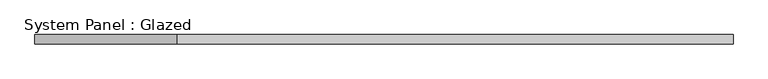
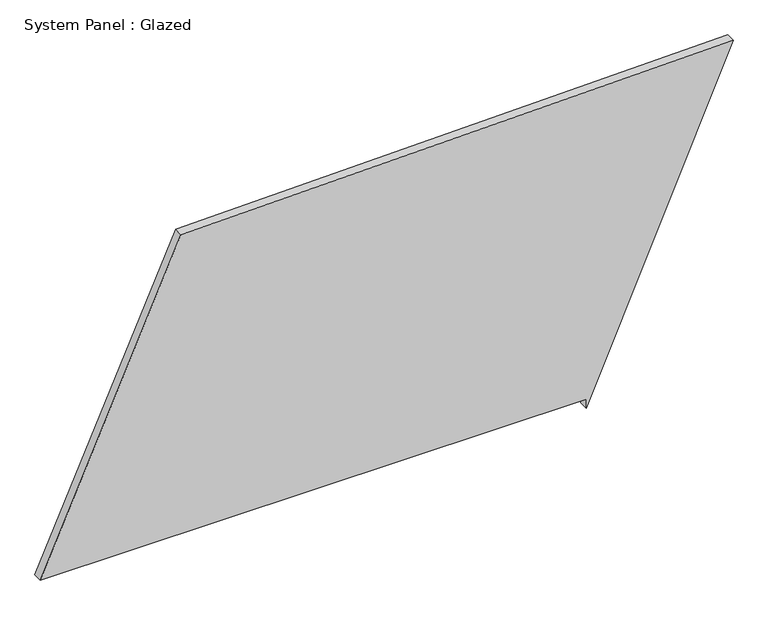
"""IFC4 building model written with IfcOpenShell, lengths in millimetres: plate geometry, System Panel : Glazed."""

from ifc_helpers import new_model, si_unit, frame, origin, place, context, project, spatial, polyline, outline, extrude, source, transform, mapped, element, save


def system_panel_glazed_291b2a30(model_context):
    return source(origin(), model_context, "Body", "SweptSolid", [
        extrude(outline(polyline([(25.0, 533.1958743), (0.0, 533.1958743), (901.4737403, 925.409538), (869.2930349, -549.7370602), (25.0, -925.409538), (25.0, 533.1958743)])), frame((0.0, -49.5, 0.0), z_axis=(0.0, 1.0, 0.0), x_axis=(0.0, 0.0, 1.0)), (0.0, 0.0, 1.0), 25.0),
    ])


if __name__ == "__main__":
    model = new_model("IFC4")
    model_context = context("Model", 3, world=origin())
    ifc_project = project(units=[si_unit("LENGTHUNIT", "METRE", prefix="MILLI")], contexts=[model_context])
    site = spatial("IfcSite", under=ifc_project)
    building = spatial("IfcBuilding", under=site)
    placement = place(None, origin())
    system_panel_glazed_shape = system_panel_glazed_291b2a30(model_context)
    element("IfcPlate", 1, ObjectType="System Panel : Glazed", at=placement, inside=building, context=model_context, shape_type="MappedRepresentation", body=[
        mapped(system_panel_glazed_shape, transform((0.0, 0.0, 0.0), x_axis=(1.0, 0.0, 0.0), y_axis=(0.0, 1.0, 0.0), z_axis=(0.0, 0.0, 1.0))),
    ])
    save(model, "model.ifc")
